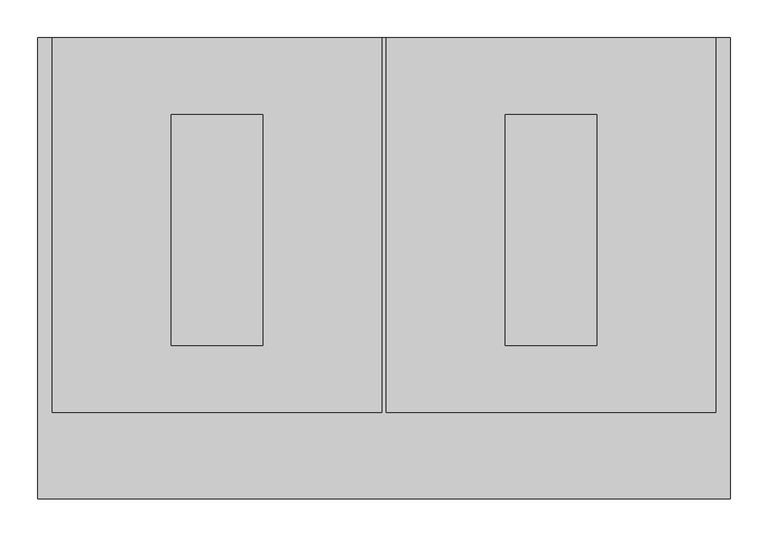
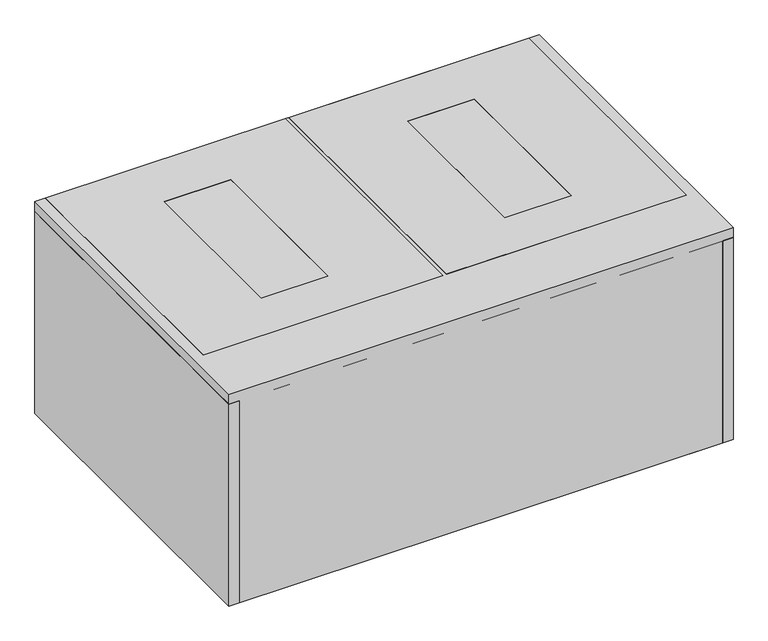
"""IFC4 building model written with IfcOpenShell, lengths in millimetres: proxy geometry."""

from ifc_helpers import new_model, si_unit, frame, origin, origin_with_axes, place, context, project, spatial, polyline, outline, extrude, faceted_brep, source, transform, mapped, element, save


def specialty_equipment_dde70959(model_context):
    return source(origin(), model_context, "Body", "SolidModel", [
        faceted_brep([(438.15, 101.6, 387.35), (438.15, 609.6, 387.35), (438.15, 609.6, 406.4), (438.15, 114.3, 406.4), (438.15, 114.3, 396.875), (438.15, 101.6, 396.875), (3.175, 101.6, 387.35), (3.175, 101.6, 396.875), (3.175, 114.3, 396.875), (3.175, 114.3, 406.4), (3.175, 609.6, 406.4), (3.175, 609.6, 387.35), (160.3375, 508.0, 387.35), (160.3375, 203.2, 387.35), (280.9875, 203.2, 387.35), (280.9875, 508.0, 387.35), (160.3375, 203.2, 406.4), (160.3375, 508.0, 406.4), (280.9875, 508.0, 406.4), (280.9875, 203.2, 406.4)], [[[0, 1, 2, 3, 4, 5]], [[6, 7, 8, 9, 10, 11]], [[1, 0, 6, 11], [12, 13, 14, 15]], [[2, 1, 11, 10]], [[3, 2, 10, 9], [16, 17, 18, 19]], [[4, 3, 9, 8]], [[5, 4, 8, 7]], [[0, 5, 7, 6]], [[16, 13, 12, 17]], [[13, 16, 19, 14]], [[14, 19, 18, 15]], [[17, 12, 15, 18]]]),
        faceted_brep([(-3.175, 101.6, 387.35), (-3.175, 609.6, 387.35), (-3.175, 609.6, 406.4), (-3.175, 114.3, 406.4), (-3.175, 114.3, 396.875), (-3.175, 101.6, 396.875), (-438.15, 101.6, 387.35), (-438.15, 101.6, 396.875), (-438.15, 114.3, 396.875), (-438.15, 114.3, 406.4), (-438.15, 609.6, 406.4), (-438.15, 609.6, 387.35), (-160.3375, 508.0, 387.35), (-280.9875, 508.0, 387.35), (-280.9875, 203.2, 387.35), (-160.3375, 203.2, 387.35), (-280.9875, 508.0, 406.4), (-160.3375, 508.0, 406.4), (-160.3375, 203.2, 406.4), (-280.9875, 203.2, 406.4)], [[[0, 1, 2, 3, 4, 5]], [[6, 7, 8, 9, 10, 11]], [[1, 0, 6, 11], [12, 13, 14, 15]], [[2, 1, 11, 10]], [[3, 2, 10, 9], [16, 17, 18, 19]], [[4, 3, 9, 8]], [[5, 4, 8, 7]], [[0, 5, 7, 6]], [[16, 13, 12, 17]], [[13, 16, 19, 14]], [[14, 19, 18, 15]], [[17, 12, 15, 18]]]),
        extrude(outline(polyline([(-160.3375, 508.0), (-160.3375, 203.2), (-280.9875, 203.2), (-280.9875, 508.0), (-160.3375, 508.0)])), frame((0.0, 0.0, 396.875), z_axis=(0.0, 0.0, 1.0), x_axis=(1.0, 0.0, 0.0)), (0.0, 0.0, 1.0), 9.525),
        extrude(outline(polyline([(280.9875, 508.0), (280.9875, 203.2), (160.3375, 203.2), (160.3375, 508.0), (280.9875, 508.0)])), frame((0.0, 0.0, 396.875), z_axis=(0.0, 0.0, 1.0), x_axis=(1.0, 0.0, 0.0)), (0.0, 0.0, 1.0), 9.525),
        extrude(outline(polyline([(457.2, 0.0), (438.15, 0.0), (438.15, 609.6), (457.2, 609.6), (457.2, 0.0)])), origin_with_axes(), (0.0, 0.0, 1.0), 387.35),
        extrude(outline(polyline([(-438.15, 0.0), (-457.2, 0.0), (-457.2, 609.6), (-438.15, 609.6), (-438.15, 0.0)])), origin_with_axes(), (0.0, 0.0, 1.0), 387.35),
        extrude(outline(polyline([(457.2, 609.6), (457.2, 0.0), (-457.2, 0.0), (-457.2, 609.6), (457.2, 609.6)])), origin_with_axes(), (0.0, 0.0, 1.0), 406.4),
        extrude(outline(polyline([(438.15, 427.0375), (-438.15, 427.0375), (-438.15, 439.7375), (438.15, 439.7375), (438.15, 427.0375)])), frame((0.0, 0.0, 19.05), z_axis=(0.0, 0.0, 1.0), x_axis=(1.0, 0.0, 0.0)), (0.0, 0.0, 1.0), 368.3),
        extrude(outline(polyline([(438.15, 265.1125), (-438.15, 265.1125), (-438.15, 277.8125), (438.15, 277.8125), (438.15, 265.1125)])), frame((0.0, 0.0, 19.05), z_axis=(0.0, 0.0, 1.0), x_axis=(1.0, 0.0, 0.0)), (0.0, 0.0, 1.0), 368.3),
        extrude(outline(polyline([(-438.15, 609.6), (438.15, 609.6), (438.15, 590.55), (-438.15, 590.55), (-438.15, 609.6)])), origin_with_axes(), (0.0, 0.0, 1.0), 387.35),
        extrude(outline(polyline([(438.15, 609.6), (438.15, 101.6), (-438.15, 101.6), (-438.15, 609.6), (438.15, 609.6)])), origin_with_axes(), (0.0, 0.0, 1.0), 19.05),
        extrude(outline(polyline([(-438.15, 101.6), (438.15, 101.6), (438.15, 0.0), (-438.15, 0.0), (-438.15, 101.6)])), origin_with_axes(), (0.0, 0.0, 1.0), 387.35),
    ])


if __name__ == "__main__":
    model = new_model("IFC4")
    model_context = context("Model", 3, world=origin())
    ifc_project = project(units=[si_unit("LENGTHUNIT", "METRE", prefix="MILLI")], contexts=[model_context])
    site = spatial("IfcSite", under=ifc_project)
    building = spatial("IfcBuilding", under=site)
    placement = place(None, origin())
    specialty_equipment_shape = specialty_equipment_dde70959(model_context)
    element("IfcBuildingElementProxy", 1, Name="Specialty Equipment", at=placement, inside=building, context=model_context, shape_type="MappedRepresentation", body=[
        mapped(specialty_equipment_shape, transform((0.0, 0.0, 0.0), x_axis=(1.0, 0.0, 0.0), y_axis=(0.0, 1.0, 0.0), z_axis=(0.0, 0.0, 1.0))),
    ])
    save(model, "model.ifc")
